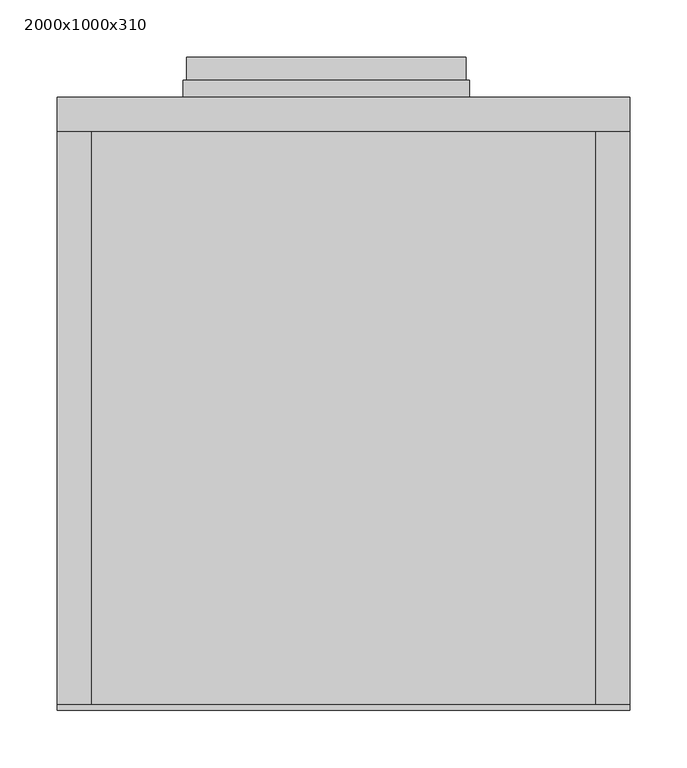
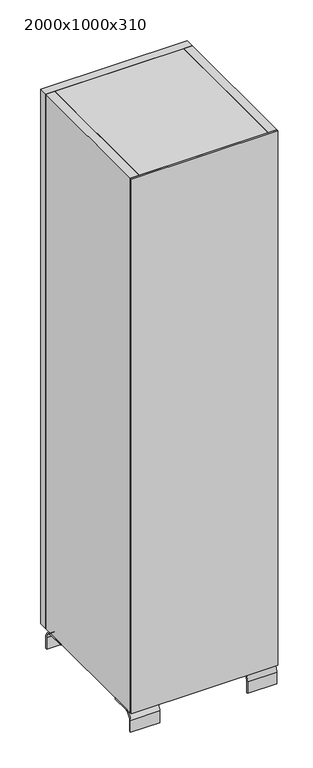
"""IFC4 building model written with IfcOpenShell, lengths in millimetres: furniture geometry, 2000x1000x310."""

from ifc_helpers import new_model, si_unit, point, frame, frame_2d, origin, place, context, project, spatial, polyline, circle_curve, trimmed, segment, composite_curve, outline, extrude, source, transform, mapped, element, save


def furniture_2000x1000x310_45ed9b3e(model_context):
    return source(origin(), model_context, "Body", "SweptSolid", [
        extrude(outline(polyline([(142.0, 65.0), (142.0, 30.0), (-102.0, 30.0), (-102.0, 65.0), (142.0, 65.0)])), frame((0.0, 0.0, 997.5), z_axis=(0.0, 0.0, 1.0), x_axis=(1.0, 0.0, 0.0)), (0.0, 0.0, 1.0), 5.0),
        extrude(outline(polyline([(145.0, 45.0), (145.0, 30.0), (-105.0, 30.0), (-105.0, 45.0), (145.0, 45.0)])), frame((0.0, 0.0, 996.5), z_axis=(0.0, 0.0, 1.0), x_axis=(1.0, 0.0, 0.0)), (0.0, 0.0, 1.0), 7.0),
        extrude(outline(composite_curve([segment(polyline([(-471.7157288, 70.0), (-409.6798575, 70.0), (-409.6798575, 65.0), (-471.7157288, 65.0)]), True, "CONTINUOUS"), segment(trimmed(circle_curve(frame_2d((-471.7157288, 41.7157288)), 23.2842712), [point((-471.7157288, 65.0))], [point((-495.0, 41.7157288))], True, "CARTESIAN"), True, "CONTINUOUS"), segment(polyline([(-495.0, 41.7157288), (-495.0, 0.0), (-500.0, 0.0), (-500.0, 41.7157288)]), True, "CONTINUOUS"), segment(trimmed(circle_curve(frame_2d((-471.7157288, 41.7157288)), 28.2842712), [point((-500.0, 41.7157288))], [point((-471.7157288, 70.0))], False, "CARTESIAN"), True, "CONTINUOUS")], self_intersect=False)), frame((185.0, 0.0, 0.0), z_axis=(1.0, 0.0, 0.0), x_axis=(0.0, 1.0, 0.0)), (0.0, 0.0, 1.0), 100.0),
        extrude(outline(composite_curve([segment(polyline([(-471.7157288, 70.0), (-409.6798575, 70.0), (-409.6798575, 65.0), (-471.7157288, 65.0)]), True, "CONTINUOUS"), segment(trimmed(circle_curve(frame_2d((-471.7157288, 41.7157288)), 23.2842712), [point((-471.7157288, 65.0))], [point((-495.0, 41.7157288))], True, "CARTESIAN"), True, "CONTINUOUS"), segment(polyline([(-495.0, 41.7157288), (-495.0, 0.0), (-500.0, 0.0), (-500.0, 41.7157288)]), True, "CONTINUOUS"), segment(trimmed(circle_curve(frame_2d((-471.7157288, 41.7157288)), 28.2842712), [point((-500.0, 41.7157288))], [point((-471.7157288, 70.0))], False, "CARTESIAN"), True, "CONTINUOUS")], self_intersect=False)), frame((-215.0, 0.0, 0.0), z_axis=(1.0, 0.0, 0.0), x_axis=(0.0, 1.0, 0.0)), (0.0, 0.0, 1.0), 100.0),
        extrude(outline(composite_curve([segment(trimmed(circle_curve(frame_2d((-28.2842712, 41.7157288)), 28.2842712), [point((-28.2842712, 70.0))], [point((0.0, 41.7157288))], False, "CARTESIAN"), True, "CONTINUOUS"), segment(polyline([(0.0, 41.7157288), (0.0, 0.0), (-5.0, 0.0), (-5.0, 41.7157288)]), True, "CONTINUOUS"), segment(trimmed(circle_curve(frame_2d((-28.2842712, 41.7157288)), 23.2842712), [point((-5.0, 41.7157288))], [point((-28.2842712, 65.0))], True, "CARTESIAN"), True, "CONTINUOUS"), segment(polyline([(-28.2842712, 65.0), (-90.3201425, 65.0), (-90.3201425, 70.0), (-28.2842712, 70.0)]), True, "CONTINUOUS")], self_intersect=False)), frame((185.0, 0.0, 0.0), z_axis=(1.0, 0.0, 0.0), x_axis=(0.0, 1.0, 0.0)), (0.0, 0.0, 1.0), 100.0),
        extrude(outline(composite_curve([segment(trimmed(circle_curve(frame_2d((-28.2842712, 41.7157288)), 28.2842712), [point((-28.2842712, 70.0))], [point((0.0, 41.7157288))], False, "CARTESIAN"), True, "CONTINUOUS"), segment(polyline([(0.0, 41.7157288), (0.0, 0.0), (-5.0, 0.0), (-5.0, 41.7157288)]), True, "CONTINUOUS"), segment(trimmed(circle_curve(frame_2d((-28.2842712, 41.7157288)), 23.2842712), [point((-5.0, 41.7157288))], [point((-28.2842712, 65.0))], True, "CARTESIAN"), True, "CONTINUOUS"), segment(polyline([(-28.2842712, 65.0), (-90.3201425, 65.0), (-90.3201425, 70.0), (-28.2842712, 70.0)]), True, "CONTINUOUS")], self_intersect=False)), frame((-215.0, 0.0, 0.0), z_axis=(1.0, 0.0, 0.0), x_axis=(0.0, 1.0, 0.0)), (0.0, 0.0, 1.0), 100.0),
        extrude(outline(polyline([(-215.0, -505.0), (-215.0, -500.0), (285.0, -500.0), (285.0, -505.0), (-215.0, -505.0)])), frame((0.0, 0.0, 70.0), z_axis=(0.0, 0.0, 1.0), x_axis=(1.0, 0.0, 0.0)), (0.0, 0.0, 1.0), 1930.0),
        extrude(outline(polyline([(255.0, 0.0), (255.0, -500.0), (-185.0, -500.0), (-185.0, 0.0), (255.0, 0.0)])), frame((0.0, 0.0, 456.0), z_axis=(0.0, 0.0, 1.0), x_axis=(1.0, 0.0, 0.0)), (0.0, 0.0, 1.0), 20.0),
        extrude(outline(polyline([(255.0, 0.0), (255.0, -500.0), (-185.0, -500.0), (-185.0, 0.0), (255.0, 0.0)])), frame((0.0, 0.0, 842.0), z_axis=(0.0, 0.0, 1.0), x_axis=(1.0, 0.0, 0.0)), (0.0, 0.0, 1.0), 20.0),
        extrude(outline(polyline([(255.0, 0.0), (255.0, -500.0), (-185.0, -500.0), (-185.0, 0.0), (255.0, 0.0)])), frame((0.0, 0.0, 1228.0), z_axis=(0.0, 0.0, 1.0), x_axis=(1.0, 0.0, 0.0)), (0.0, 0.0, 1.0), 20.0),
        extrude(outline(polyline([(255.0, 0.0), (255.0, -500.0), (-185.0, -500.0), (-185.0, 0.0), (255.0, 0.0)])), frame((0.0, 0.0, 1594.0), z_axis=(0.0, 0.0, 1.0), x_axis=(1.0, 0.0, 0.0)), (0.0, 0.0, 1.0), 20.0),
        extrude(outline(polyline([(255.0, 0.0), (255.0, -500.0), (-185.0, -500.0), (-185.0, 0.0), (255.0, 0.0)])), frame((0.0, 0.0, 70.0), z_axis=(0.0, 0.0, 1.0), x_axis=(1.0, 0.0, 0.0)), (0.0, 0.0, 1.0), 30.0),
        extrude(outline(polyline([(255.0, 0.0), (255.0, -500.0), (-185.0, -500.0), (-185.0, 0.0), (255.0, 0.0)])), frame((0.0, 0.0, 1970.0), z_axis=(0.0, 0.0, 1.0), x_axis=(1.0, 0.0, 0.0)), (0.0, 0.0, 1.0), 30.0),
        extrude(outline(polyline([(285.0, 0.0), (285.0, -500.0), (255.0, -500.0), (255.0, 0.0), (285.0, 0.0)])), frame((0.0, 0.0, 70.0), z_axis=(0.0, 0.0, 1.0), x_axis=(1.0, 0.0, 0.0)), (0.0, 0.0, 1.0), 1930.0),
        extrude(outline(polyline([(-185.0, 0.0), (-185.0, -500.0), (-215.0, -500.0), (-215.0, 0.0), (-185.0, 0.0)])), frame((0.0, 0.0, 70.0), z_axis=(0.0, 0.0, 1.0), x_axis=(1.0, 0.0, 0.0)), (0.0, 0.0, 1.0), 1930.0),
        extrude(outline(polyline([(285.0, 0.0), (-215.0, 0.0), (-215.0, 30.0), (285.0, 30.0), (285.0, 0.0)])), frame((0.0, 0.0, 70.0), z_axis=(0.0, 0.0, 1.0), x_axis=(1.0, 0.0, 0.0)), (0.0, 0.0, 1.0), 1930.0),
    ])


if __name__ == "__main__":
    model = new_model("IFC4")
    model_context = context("Model", 3, world=origin())
    ifc_project = project(units=[si_unit("LENGTHUNIT", "METRE", prefix="MILLI")], contexts=[model_context])
    site = spatial("IfcSite", under=ifc_project)
    building = spatial("IfcBuilding", under=site)
    placement = place(None, origin())
    furniture_2000x1000x310_shape = furniture_2000x1000x310_45ed9b3e(model_context)
    element("IfcFurniture", 1, ObjectType="2000x1000x310", at=placement, inside=building, context=model_context, shape_type="MappedRepresentation", body=[
        mapped(furniture_2000x1000x310_shape, transform((0.0, 0.0, 0.0), x_axis=(1.0, 0.0, 0.0), y_axis=(0.0, 1.0, 0.0), z_axis=(0.0, 0.0, 1.0))),
    ])
    save(model, "model.ifc")
